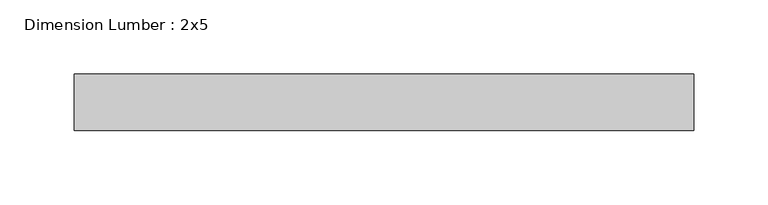
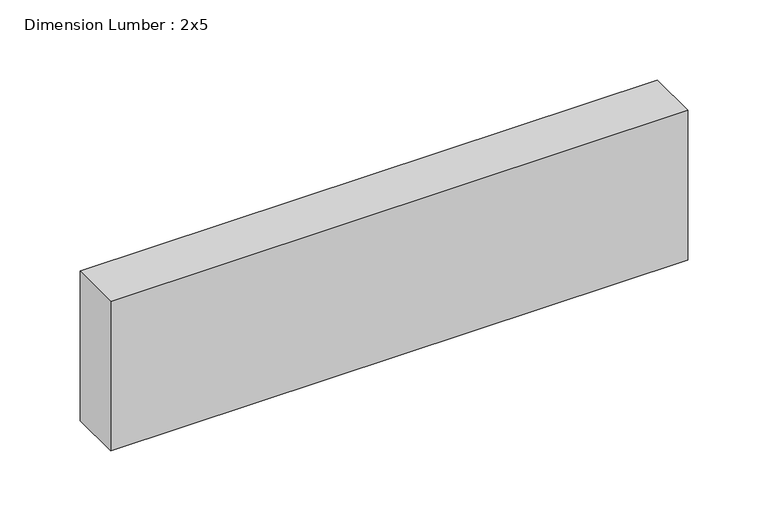
"""IFC4 building model written with IfcOpenShell, lengths in millimetres: beam geometry, Dimension Lumber : 2x5."""

from ifc_helpers import new_model, si_unit, frame, origin, place, context, project, spatial, polyline, outline, extrude, source, transform, mapped, element, save


def dimension_lumber_2x5_f21bf906(model_context):
    return source(origin(), model_context, "Body", "SweptSolid", [
        extrude(outline(polyline([(208.3204697, 19.05), (208.3204697, -19.05), (-208.3204697, -19.05), (-208.3204697, 19.05), (208.3204697, 19.05)])), frame((0.0, 0.0, -57.15), z_axis=(0.0, 0.0, 1.0), x_axis=(1.0, 0.0, 0.0)), (0.0, 0.0, 1.0), 114.3),
    ])


if __name__ == "__main__":
    model = new_model("IFC4")
    model_context = context("Model", 3, world=origin())
    ifc_project = project(units=[si_unit("LENGTHUNIT", "METRE", prefix="MILLI")], contexts=[model_context])
    site = spatial("IfcSite", under=ifc_project)
    building = spatial("IfcBuilding", under=site)
    placement = place(None, origin())
    dimension_lumber_2x5_shape = dimension_lumber_2x5_f21bf906(model_context)
    element("IfcBeam", 1, ObjectType="Dimension Lumber : 2x5", at=placement, inside=building, context=model_context, shape_type="MappedRepresentation", body=[
        mapped(dimension_lumber_2x5_shape, transform((0.0, 0.0, 0.0), x_axis=(1.0, 0.0, 0.0), y_axis=(0.0, 1.0, 0.0), z_axis=(0.0, 0.0, 1.0))),
    ])
    save(model, "model.ifc")
